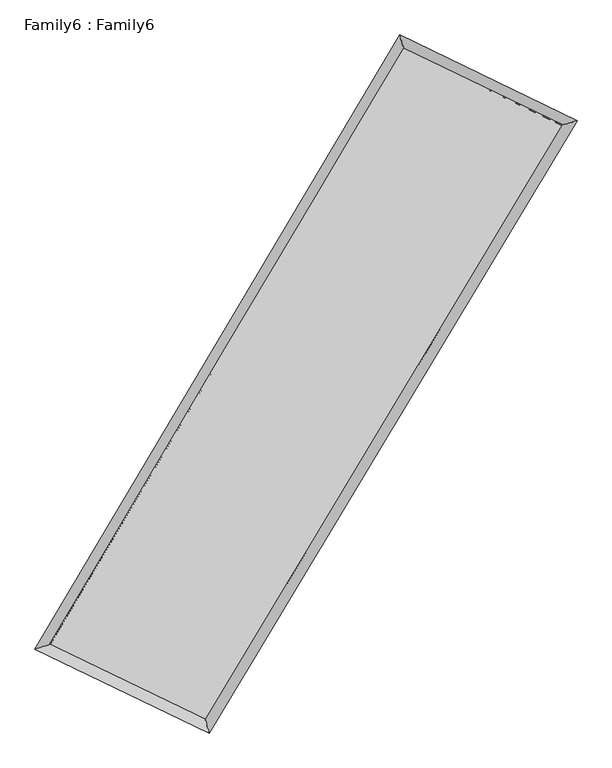
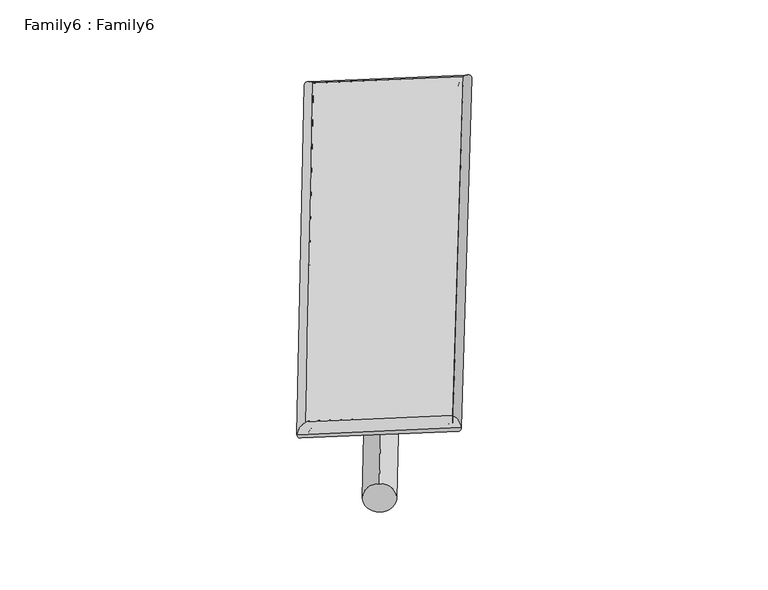
"""IFC4 building model written with IfcOpenShell, lengths in millimetres: plate geometry, Family6 : Family6."""

from ifc_helpers import new_model, si_unit, point, frame, origin, origin_2d, place, context, project, spatial, circle_curve, ellipse_curve, trimmed, segment, composite_curve, outline, extrude, source, transform, mapped, element, save
from ifc_brep_helpers import plane_surface, cylinder_surface, spline_surface, advanced_brep


def family6_family6_375e1714(model_context):
    return source(origin(), model_context, "Body", "SolidModel", [
        extrude(outline(composite_curve([segment(trimmed(circle_curve(origin_2d(), 76.2), [point((-75.4341515, -10.7763074))], [point((75.4341515, 10.7763074))], False, "CARTESIAN"), True, "CONTINUOUS"), segment(trimmed(circle_curve(origin_2d(), 76.2), [point((75.4341515, 10.7763074))], [point((-75.4341515, -10.7763074))], False, "CARTESIAN"), True, "CONTINUOUS")], self_intersect=False)), frame((9144.0, 9144.0, 0.0), z_axis=(0.6785891710031796, 0.6842328326624365, 0.26709954643157996), x_axis=(-0.6759363926193984, 0.7240247187205517, -0.13747072348067588)), (0.0, 0.0, 1.0), 5693.7680296),
        extrude(outline(composite_curve([segment(trimmed(circle_curve(origin_2d(), 76.2), [point((-53.8815367, 53.8815367))], [point((53.8815367, -53.8815367))], False, "CARTESIAN"), True, "CONTINUOUS"), segment(trimmed(circle_curve(origin_2d(), 76.2), [point((53.8815367, -53.8815367))], [point((-53.8815367, 53.8815367))], False, "CARTESIAN"), True, "CONTINUOUS")], self_intersect=False)), frame((9144.0, 9144.0, 0.0), z_axis=(-0.6755344155499137, -0.6871387059978501, 0.26738296902988595), x_axis=(0.6377375584932329, -0.3625125543833637, 0.6796141952619437)), (0.0, 0.0, 1.0), 5687.1821412),
        extrude(outline(composite_curve([segment(trimmed(circle_curve(origin_2d(), 76.2), [point((-53.8815367, -53.8815368))], [point((53.8815367, 53.8815368))], False, "CARTESIAN"), True, "CONTINUOUS"), segment(trimmed(circle_curve(origin_2d(), 76.2), [point((53.8815367, 53.8815368))], [point((-53.8815367, -53.8815368))], False, "CARTESIAN"), True, "CONTINUOUS")], self_intersect=False)), frame((9144.0, 9144.0, 0.0), z_axis=(0.2698229391676704, 0.9218018492767199, 0.27834678401041246), x_axis=(-0.8414448151205159, 0.3662609070582353, -0.39727014872461724)), (0.0, 0.0, 1.0), 5476.8503938),
        extrude(outline(composite_curve([segment(trimmed(circle_curve(origin_2d(), 76.2), [point((-75.4341514, 10.7763073))], [point((75.4341514, -10.7763073))], False, "CARTESIAN"), True, "CONTINUOUS"), segment(trimmed(circle_curve(origin_2d(), 76.2), [point((75.4341514, -10.7763073))], [point((-75.4341514, 10.7763073))], False, "CARTESIAN"), True, "CONTINUOUS")], self_intersect=False)), frame((9144.0, 9144.0, 0.0), z_axis=(-0.27412714332152005, -0.920463162830201, 0.2785711312519762), x_axis=(0.8780689800748153, -0.12141605540453522, 0.46287472140999064)), (0.0, 0.0, 1.0), 5471.9936465),
        advanced_brep(
        [(5086.1933881, 5171.0185135, 1520.9252128), (5518.0325205, 5301.216184, 1521.0266882), (5518.0320841, 5301.215532, 1520.3860799), (10681.3986324, 13994.5139593, 1524.0822404), (10562.1611088, 14390.627683, 1524.8451468), (5086.1929518, 5171.0178614, 1520.2846044), (12791.1605573, 12975.2387994, 1520.845168), (13224.2980969, 13104.4872554, 1520.7605484), (7584.9020609, 4304.891038, 1524.2779269), (7703.053966, 3909.5718044, 1524.4009937)],
        [
            (0, 1, ellipse_curve(frame((5302.1127361, 5236.1170227, 1520.6556463), z_axis=(-0.2886612083577441, 0.9574309905085622, -0.0007779480964498263), x_axis=(-0.9574303088102297, -0.2886619852982408, -0.0012091382164313696)), 225.5202946, 152.4)),
            (1, 2, ellipse_curve(frame((5302.1127361, 5236.1170227, 1520.6556463), z_axis=(-0.2886612083577441, 0.9574309905085622, -0.0007779480964498263), x_axis=(-0.9574303088102297, -0.2886619852982408, -0.0012091382164313696)), 225.5202946, 152.4)),
            (2, 3),
            (3, 4, ellipse_curve(frame((10621.7798706, 14192.5708212, 1524.4636936), z_axis=(-0.9575568732312769, -0.28824357615038476, 0.0006894458481613269), x_axis=(0.2882425510631507, -0.9575565583018166, -0.0012920564177049906)), 206.8358619, 152.4)),
            (4, 0),
            (2, 5, ellipse_curve(frame((5302.1127361, 5236.1170227, 1520.6556463), z_axis=(-0.2886612083577441, 0.9574309905085622, -0.0007779480964498263), x_axis=(-0.9574303088102297, -0.2886619852982408, -0.0012091382164313696)), 225.5202946, 152.4)),
            (5, 0, ellipse_curve(frame((5302.1127361, 5236.1170227, 1520.6556463), z_axis=(-0.2886612083577441, 0.9574309905085622, -0.0007779480964498263), x_axis=(-0.9574303088102297, -0.2886619852982408, -0.0012091382164313696)), 225.5202946, 152.4)),
            (4, 3, ellipse_curve(frame((10621.7798706, 14192.5708212, 1524.4636936), z_axis=(-0.9575568732312769, -0.28824357615038476, 0.0006894458481613269), x_axis=(0.2882425510631507, -0.9575565583018166, -0.0012920564177049906)), 206.8358619, 152.4)),
            (3, 6),
            (6, 7, ellipse_curve(frame((13007.7293271, 13039.8630274, 1520.8028582), z_axis=(-0.2859411853321053, 0.9582468582990764, 0.0007727165200861587), x_axis=(-0.9582462363193482, -0.2859419393969234, 0.001165278391500091)), 226.0052727, 152.4)),
            (7, 4),
            (7, 6, ellipse_curve(frame((13007.7293271, 13039.8630274, 1520.8028582), z_axis=(-0.2859411853321053, 0.9582468582990764, 0.0007727165200861587), x_axis=(-0.9582462363193482, -0.2859419393969234, 0.001165278391500091)), 226.0052727, 152.4)),
            (6, 8),
            (8, 9, ellipse_curve(frame((7643.9780134, 4107.2314212, 1524.3394603), z_axis=(0.9581215460064102, 0.286360910670105, 0.0007293274125602117), x_axis=(-0.2863598332414499, 0.958121259626078, -0.0013029806087239324)), 206.2991319, 152.4)),
            (9, 7),
            (9, 8, ellipse_curve(frame((7643.9780134, 4107.2314212, 1524.3394603), z_axis=(0.9581215460064102, 0.286360910670105, 0.0007293274125602117), x_axis=(-0.2863598332414499, 0.958121259626078, -0.0013029806087239324)), 206.2991319, 152.4)),
            (8, 1),
            (5, 9),
        ],
        [
            cylinder_surface(frame((5302.1127361, 5236.1170227, 1520.6556463), z_axis=(-0.5106645302159799, -0.8597799741493859, -0.000365555706110807), x_axis=(-0.8597784164925365, 0.5106626834663996, 0.002167544343834361)), 152.4),
            cylinder_surface(frame((10621.7798706, 14192.5708212, 1524.4636936), z_axis=(-0.9004221751753207, 0.43501493972618777, 0.0013815453539577634), x_axis=(0.4350165596398782, 0.9004216050879847, 0.0012352853360719813)), 152.4),
            cylinder_surface(frame((13007.7293271, 13039.8630274, 1520.8028582), z_axis=(0.5147901399289424, 0.857316159080481, -0.00033942809490243727), x_axis=(0.8573162211116171, -0.5147901399289424, 9.407888668623013e-05)), 152.4),
            cylinder_surface(frame((7643.9780134, 4107.2314212, 1524.3394603), z_axis=(0.9008020851388694, -0.4342275849871616, 0.0014169847149913802), x_axis=(-0.43422671450219813, -0.9008031805013943, -0.0008890507291415931)), 152.4),
        ],
        [
            (0, [[1, 2, 3, 4, 5]]),
            (0, [[6, 7, -5, 8, -3]]),
            (1, [[-4, 9, 10, 11]]),
            (1, [[-8, -11, 12, -9]]),
            (2, [[-10, 13, 14, 15]]),
            (2, [[-12, -15, 16, -13]]),
            (3, [[-14, 17, -1, -7, 18]]),
            (3, [[-16, -18, -6, -2, -17]]),
        ],
    ),
        extrude(outline(composite_curve([segment(trimmed(circle_curve(origin_2d(), 304.8), [point((0.0, 304.8))], [point((0.0, -304.8))], False, "CARTESIAN"), True, "CONTINUOUS"), segment(trimmed(circle_curve(origin_2d(), 304.8), [point((0.0, -304.8))], [point((0.0, 304.8))], False, "CARTESIAN"), True, "CONTINUOUS")], self_intersect=False)), frame((11826.1713367, 13644.6154627, -9.95e-05), z_axis=(-0.5119395052769602, -0.8590215031864923, 1.8994306859553788e-08), x_axis=(-0.8590215031864926, 0.5119395052769603, -5.230674330604156e-09)), (0.0, 0.0, 1.0), 10478.4698545),
        advanced_brep(
        [(5302.1127361, 5236.1170227, 1520.6556463), (7643.9780134, 4107.2314212, 1524.3394603), (7643.978329, 4107.2289133, 1676.7394603), (5302.1130517, 5236.1145148, 1673.0556463), (13007.7293271, 13039.8630274, 1520.8028582), (13007.7296427, 13039.8605195, 1673.2028582), (10621.7798706, 14192.5708212, 1524.4636936), (10621.7801862, 14192.5683133, 1676.8636936)],
        [
            (0, 1),
            (1, 2),
            (2, 3),
            (3, 0),
            (1, 4),
            (4, 5),
            (5, 2),
            (4, 6),
            (6, 7),
            (7, 5),
            (6, 0),
            (3, 7),
        ],
        [
            plane_surface(frame((6473.0453748, 4671.674222, 1522.4975533), z_axis=(-0.43422800310338533, -0.900802997956246, -1.3924299203939088e-05), x_axis=(0.9008020851388693, -0.4342275849871619, 0.0014169847149913793))),
            plane_surface(frame((10325.8536703, 8573.5472243, 1522.5711592), z_axis=(0.8573162066313343, -0.5147901725385443, -1.02467300319573e-05), x_axis=(0.5147901399289425, 0.8573161590804809, -0.0003394280949024381))),
            plane_surface(frame((11814.7545989, 13616.2169243, 1522.6332759), z_axis=(0.4350153721458048, 0.9004230260289776, 1.3916415881835148e-05), x_axis=(-0.9004221751753209, 0.4350149397261881, 0.0013815453539577627))),
            plane_surface(frame((7961.9463034, 9714.343922, 1522.55967), z_axis=(-0.8597800334525254, 0.510664561109014, 1.0183941625991136e-05), x_axis=(-0.51066453021598, -0.8597799741493857, -0.0003655557061108069))),
            spline_surface(1, 1, [[(7643.978329, 4107.2289133, 1676.7394603), (5302.1130517, 5236.1145148, 1673.0556463)], [(13007.7296427, 13039.8605195, 1673.2028582), (10621.7801862, 14192.5683133, 1676.8636936)]], [2, 2], [2, 2], [0.0, 1.0], [0.0, 1.0]),
            spline_surface(1, 1, [[(10621.7798706, 14192.5708212, 1524.4636936), (5302.1127361, 5236.1170227, 1520.6556463)], [(13007.7293271, 13039.8630274, 1520.8028582), (7643.9780134, 4107.2314212, 1524.3394603)]], [2, 2], [2, 2], [0.0, 1.0], [0.0, 1.0]),
        ],
        [
            (0, [[1, 2, 3, 4]]),
            (1, [[5, 6, 7, -2]]),
            (2, [[8, 9, 10, -6]]),
            (3, [[11, -4, 12, -9]]),
            (4, [[-3, -7, -10, -12]]),
            (5, [[-11, -8, -5, -1]]),
        ],
    ),
    ])


if __name__ == "__main__":
    model = new_model("IFC4")
    model_context = context("Model", 3, world=origin())
    ifc_project = project(units=[si_unit("LENGTHUNIT", "METRE", prefix="MILLI")], contexts=[model_context])
    site = spatial("IfcSite", under=ifc_project)
    building = spatial("IfcBuilding", under=site)
    placement = place(None, origin())
    family6_family6_shape = family6_family6_375e1714(model_context)
    element("IfcPlate", 1, ObjectType="Family6 : Family6", at=placement, inside=building, context=model_context, shape_type="MappedRepresentation", body=[
        mapped(family6_family6_shape, transform((0.0, 0.0, 0.0), x_axis=(1.0, 0.0, 0.0), y_axis=(0.0, 1.0, 0.0), z_axis=(0.0, 0.0, 1.0))),
    ])
    save(model, "model.ifc")
